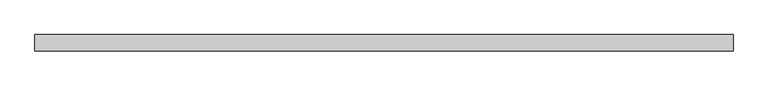
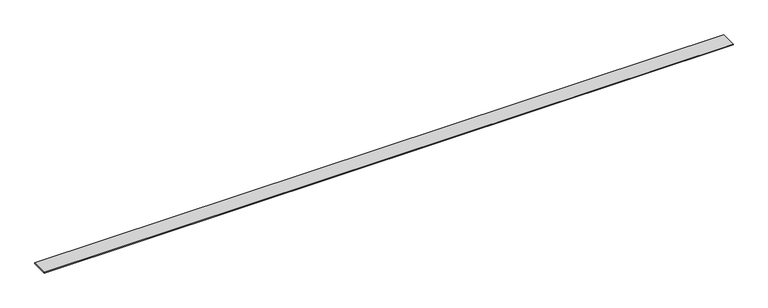
"""IFC4 building model written with IfcOpenShell, lengths in millimetres: proxy geometry."""

from ifc_helpers import new_model, si_unit, origin, origin_with_axes, place, context, project, spatial, polyline, outline, extrude, source, transform, mapped, element, save


def generic_models_6b34cae1(model_context):
    return source(origin(), model_context, "Body", "SweptSolid", [
        extrude(outline(polyline([(3006.35, 127.0), (3006.35, 55.88), (0.0, 55.88), (0.0, 127.0), (3006.35, 127.0)])), origin_with_axes(), (0.0, 0.0, 1.0), 3.175),
    ])


if __name__ == "__main__":
    model = new_model("IFC4")
    model_context = context("Model", 3, world=origin())
    ifc_project = project(units=[si_unit("LENGTHUNIT", "METRE", prefix="MILLI")], contexts=[model_context])
    site = spatial("IfcSite", under=ifc_project)
    building = spatial("IfcBuilding", under=site)
    placement = place(None, origin())
    generic_models_shape = generic_models_6b34cae1(model_context)
    element("IfcBuildingElementProxy", 1, Name="Generic Models", at=placement, inside=building, context=model_context, shape_type="MappedRepresentation", body=[
        mapped(generic_models_shape, transform((0.0, 0.0, 0.0), x_axis=(1.0, 0.0, 0.0), y_axis=(0.0, 1.0, 0.0), z_axis=(0.0, 0.0, 1.0))),
    ])
    save(model, "model.ifc")
